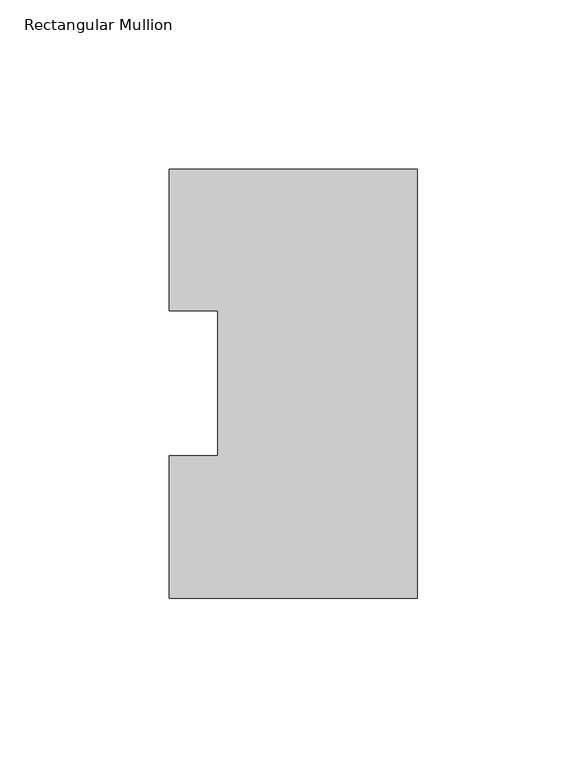
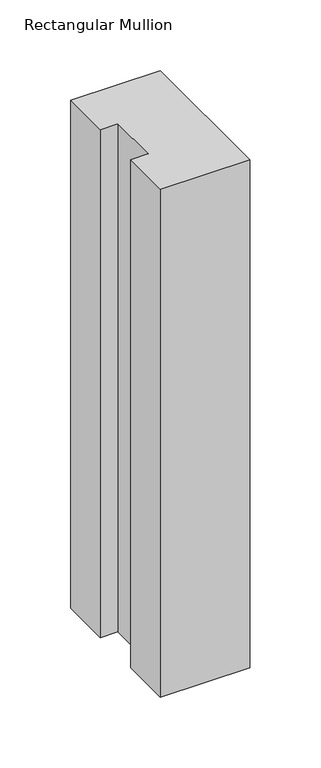
"""IFC4 building model written with IfcOpenShell, lengths in millimetres: member geometry, Rectangular Mullion."""

import ifcopenshell
import ifcopenshell.guid

model = None  # the IFC model being written
_history = None  # IfcOwnerHistory: only IFC2X3 demands one
_inside = {}  # id of a spatial element -> (the spatial element, [elements in it])
_under = {}  # id of a project, library or spatial element -> (it, [spatial elements below it])
_declared = {}  # id of a project -> (the project, [libraries it declares])
_typed = {}  # id of a type object -> (the type object, [elements of that type])
_made_of = {}  # id of a material, layer set ... -> (it, [elements and type objects made of it])


def new_model(schema):
    """Start an empty IFC model of exactly this schema.

    Asked for "IFC4X3", IfcOpenShell would pick the latest addendum, in which some entities
    have other attributes; the version numbers below select the first issue.
    IFC2X3 requires an IfcOwnerHistory on every rooted entity: one is made here for all.
    """
    global model, _history
    if schema == "IFC4X3":
        model = ifcopenshell.file(schema_version=(4, 3, 0, 0))
    else:
        model = ifcopenshell.file(schema=schema)
    _inside.clear()
    _under.clear()
    _declared.clear()
    _typed.clear()
    _made_of.clear()
    _history = None
    if model.schema == "IFC2X3":
        org = make("IfcOrganization", Name="unknown")
        user = make(
            "IfcPersonAndOrganization",
            ThePerson=make("IfcPerson", FamilyName="unknown"),
            TheOrganization=org,
        )
        app = make(
            "IfcApplication",
            ApplicationDeveloper=org,
            Version="unknown",
            ApplicationFullName="unknown",
            ApplicationIdentifier="unknown",
        )
        _history = make(
            "IfcOwnerHistory",
            OwningUser=user,
            OwningApplication=app,
            ChangeAction="ADDED",
            CreationDate=0,
        )
    return model


def make(cls, **values):
    """One entity of the class cls with the attributes given. An attribute that is None is left unset."""
    return model.create_entity(
        cls, **{name: value for name, value in values.items() if value is not None}
    )


def rooted(cls, **values):
    """An entity with a GlobalId (a new one), such as an element, a storey or a relation."""
    return make(cls, GlobalId=ifcopenshell.guid.new(), OwnerHistory=_history, **values)


def si_unit(unit_type, name, prefix=None):
    """IfcSIUnit, for example si_unit("LENGTHUNIT", "METRE", prefix="MILLI")."""
    return make("IfcSIUnit", UnitType=unit_type, Prefix=prefix, Name=name)


def assignment(units):
    """IfcUnitAssignment: the units of a project."""
    return None if units is None else make("IfcUnitAssignment", Units=units)


def point(xyz):
    """IfcCartesianPoint."""
    return None if xyz is None else make("IfcCartesianPoint", Coordinates=xyz)


def direction(xyz):
    """IfcDirection."""
    return None if xyz is None else make("IfcDirection", DirectionRatios=xyz)


def frame(location, z_axis=None, x_axis=None):
    """IfcAxis2Placement3D, a coordinate frame: its origin and axes. An axis left out is left unset."""
    return make(
        "IfcAxis2Placement3D",
        Location=point(location),
        Axis=direction(z_axis),
        RefDirection=direction(x_axis),
    )


def origin():
    """The frame at (0, 0, 0) with its axes left unset."""
    return frame((0.0, 0.0, 0.0))


def place(relative_to, where):
    """IfcLocalPlacement: puts the frame where relative to a parent placement (None: the world)."""
    return make(
        "IfcLocalPlacement", PlacementRelTo=relative_to, RelativePlacement=where
    )


def context(
    kind, dimensions, precision=None, world=None, true_north=None, identifier=None
):
    """IfcGeometricRepresentationContext, for example the 3D "Model" context."""
    return make(
        "IfcGeometricRepresentationContext",
        ContextIdentifier=identifier,
        ContextType=kind,
        CoordinateSpaceDimension=dimensions,
        Precision=precision,
        WorldCoordinateSystem=world,
        TrueNorth=true_north,
    )


def project(units=None, contexts=None):
    """IfcProject with its units and contexts."""
    return rooted(
        "IfcProject",
        Name="project",
        RepresentationContexts=contexts,
        UnitsInContext=assignment(units),
    )


def spatial(cls, under=None, at=None, **own):
    """A site, building, storey or space (cls), placed at a placement, below another one or the project."""
    s = rooted(cls, ObjectPlacement=at, **own)
    if under is not None:
        _under.setdefault(under.id(), (under, []))[1].append(s)
    return s


def polyline(points):
    """IfcPolyline through the points."""
    return make("IfcPolyline", Points=[point(p) for p in points])


def outline(outer, holes=None, kind="AREA"):
    """IfcArbitraryClosedProfileDef: a profile drawn as a closed curve; with holes, ...WithVoids."""
    if holes is None:
        return make("IfcArbitraryClosedProfileDef", ProfileType=kind, OuterCurve=outer)
    return make(
        "IfcArbitraryProfileDefWithVoids",
        ProfileType=kind,
        OuterCurve=outer,
        InnerCurves=holes,
    )


def extrude(swept, where, along, depth):
    """IfcExtrudedAreaSolid: the profile swept, set in the frame where, extruded along a direction by depth."""
    return make(
        "IfcExtrudedAreaSolid",
        SweptArea=swept,
        Position=where,
        ExtrudedDirection=direction(along),
        Depth=depth,
    )


def shape(context_of_items, identifier, shape_type, items):
    """IfcShapeRepresentation: the items that make up one representation, for example the "Body"."""
    return make(
        "IfcShapeRepresentation",
        ContextOfItems=context_of_items,
        RepresentationIdentifier=identifier,
        RepresentationType=shape_type,
        Items=items,
    )


def source(mapping_origin, context_of_items, identifier, shape_type, items):
    """IfcRepresentationMap: a shape defined once, which mapped items show again and again."""
    return make(
        "IfcRepresentationMap",
        MappingOrigin=mapping_origin,
        MappedRepresentation=shape(context_of_items, identifier, shape_type, items),
    )


def transform(
    local_origin,
    x_axis=None,
    y_axis=None,
    z_axis=None,
    scale=None,
    scale2=None,
    scale3=None,
    uniform=True,
):
    """IfcCartesianTransformationOperator3D, or its non-uniform kind. x_axis, y_axis, z_axis: its Axis1, 2, 3."""
    if uniform:
        return make(
            "IfcCartesianTransformationOperator3D",
            Axis1=direction(x_axis),
            Axis2=direction(y_axis),
            LocalOrigin=point(local_origin),
            Scale=scale,
            Axis3=direction(z_axis),
        )
    return make(
        "IfcCartesianTransformationOperator3DnonUniform",
        Axis1=direction(x_axis),
        Axis2=direction(y_axis),
        LocalOrigin=point(local_origin),
        Scale=scale,
        Axis3=direction(z_axis),
        Scale2=scale2,
        Scale3=scale3,
    )


def mapped(mapping_source, mapping_target):
    """IfcMappedItem: shows the shape of a source again, moved by a transform."""
    return make(
        "IfcMappedItem", MappingSource=mapping_source, MappingTarget=mapping_target
    )


def made_of(thing, what):
    """Note that an element or type object is made of a material, layer set ...; save() writes the relation."""
    if what is not None:
        _made_of.setdefault(what.id(), (what, []))[1].append(thing)
    return thing


def element(
    cls,
    number,
    at=None,
    inside=None,
    cuts=None,
    type_object=None,
    material=None,
    context=None,
    identifier="Body",
    shape_type=None,
    held_by="IfcProductDefinitionShape",
    body=None,
    shapes=None,
    **own,
):
    """One element of the class cls, such as IfcWall. Its Tag is "e" and its number.

    at: its placement. inside: the storey or other place that contains it. cuts: it is an
    opening in that element (IfcRelVoidsElement). A single representation is given by context,
    identifier, shape_type and body (its items); several are given by shapes. held_by: the class
    of the entity that holds the representations. save() writes the other relations.
    """
    e = rooted(cls, Tag="e%d" % number, ObjectPlacement=at, **own)
    if body is not None:
        shapes = [shape(context, identifier, shape_type, body)]
    if shapes is not None:
        e.Representation = make(held_by, Representations=shapes)
    if inside is not None:
        _inside.setdefault(inside.id(), (inside, []))[1].append(e)
    if cuts is not None:
        rooted(
            "IfcRelVoidsElement", RelatingBuildingElement=cuts, RelatedOpeningElement=e
        )
    if type_object is not None:
        _typed.setdefault(type_object.id(), (type_object, []))[1].append(e)
    return made_of(e, material)


def aggregate(whole, parts):
    """IfcRelAggregates: a whole, such as a stair, and the parts it consists of."""
    return rooted("IfcRelAggregates", RelatingObject=whole, RelatedObjects=parts)


def save(model, path):
    """Write the relations noted so far, then the file.

    IfcRelAggregates (storeys below a building ...), IfcRelContainedInSpatialStructure (elements
    in a storey), IfcRelDefinesByType, IfcRelAssociatesMaterial and IfcRelDeclares: one each for
    every whole, place, type object, material and project.
    """
    for whole, parts in _under.values():
        aggregate(whole, parts)
    for where, things in _inside.values():
        rooted(
            "IfcRelContainedInSpatialStructure",
            RelatedElements=things,
            RelatingStructure=where,
        )
    for kind, things in _typed.values():
        rooted("IfcRelDefinesByType", RelatedObjects=things, RelatingType=kind)
    for what, things in _made_of.values():
        rooted("IfcRelAssociatesMaterial", RelatedObjects=things, RelatingMaterial=what)
    for by, libraries in _declared.values():
        rooted("IfcRelDeclares", RelatingContext=by, RelatedDefinitions=libraries)
    model.write(path)


def rectangular_mullion_d613fb9d(model_context):
    return source(origin(), model_context, "Body", "SweptSolid", [
        extrude(outline(polyline([(0.0, 126.7348875), (0.0, 0.2428875), (-73.025, 0.2428875), (-73.025, 42.2798875), (-58.7375, 42.2798875), (-58.7375, 85.1296875), (-73.025, 85.1296875), (-73.025, 126.7348875), (0.0, 126.7348875)])), frame((0.0, 0.0, -438.15), z_axis=(0.0, 0.0, 1.0), x_axis=(1.0, 0.0, 0.0)), (0.0, 0.0, 1.0), 438.15),
    ])


if __name__ == "__main__":
    model = new_model("IFC4")
    model_context = context("Model", 3, world=origin())
    ifc_project = project(units=[si_unit("LENGTHUNIT", "METRE", prefix="MILLI")], contexts=[model_context])
    site = spatial("IfcSite", under=ifc_project)
    building = spatial("IfcBuilding", under=site)
    placement = place(None, origin())
    rectangular_mullion_shape = rectangular_mullion_d613fb9d(model_context)
    element("IfcMember", 1, ObjectType="Rectangular Mullion", at=placement, inside=building, context=model_context, shape_type="MappedRepresentation", body=[
        mapped(rectangular_mullion_shape, transform((0.0, 0.0, 0.0), x_axis=(1.0, 0.0, 0.0), y_axis=(0.0, 1.0, 0.0), z_axis=(0.0, 0.0, 1.0))),
    ])
    save(model, "model.ifc")
